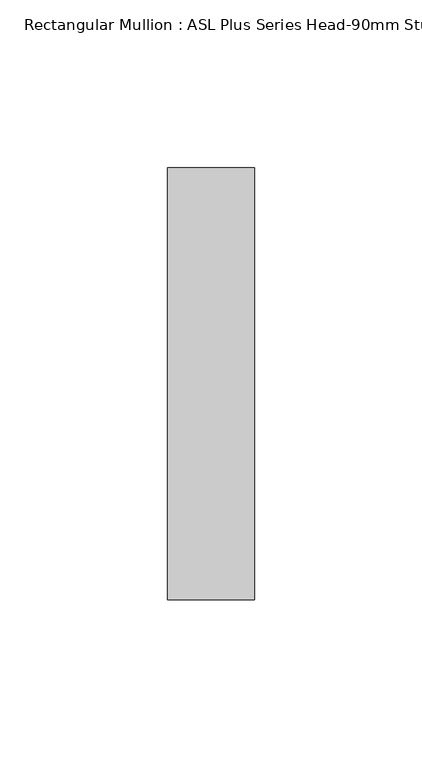
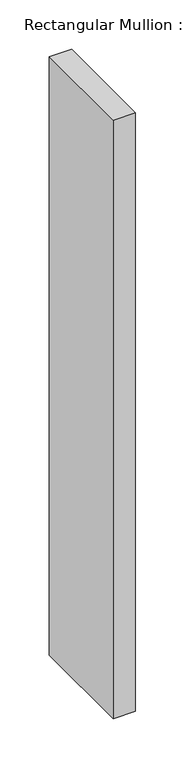
"""IFC4 building model written with IfcOpenShell, lengths in millimetres: member geometry, Rectangular Mullion : ASL Plus Series Head-90mm Stud."""

from ifc_helpers import new_model, si_unit, frame, origin, place, context, project, spatial, polyline, outline, extrude, source, transform, mapped, element, save


def rectangular_mullion_asl_plus_series_head_90mm_stud_c2a68543(model_context):
    return source(origin(), model_context, "Body", "SweptSolid", [
        extrude(outline(polyline([(0.0, 64.5), (0.0, -64.5), (-26.0, -64.5), (-26.0, 64.5), (0.0, 64.5)])), frame((0.0, 0.0, -739.0), z_axis=(0.0, 0.0, 1.0), x_axis=(1.0, 0.0, 0.0)), (0.0, 0.0, 1.0), 739.0),
    ])


if __name__ == "__main__":
    model = new_model("IFC4")
    model_context = context("Model", 3, world=origin())
    ifc_project = project(units=[si_unit("LENGTHUNIT", "METRE", prefix="MILLI")], contexts=[model_context])
    site = spatial("IfcSite", under=ifc_project)
    building = spatial("IfcBuilding", under=site)
    placement = place(None, origin())
    rectangular_mullion_asl_plus_series_head_90mm_stud_shape = rectangular_mullion_asl_plus_series_head_90mm_stud_c2a68543(model_context)
    element("IfcMember", 1, ObjectType="Rectangular Mullion : ASL Plus Series Head-90mm Stud", at=placement, inside=building, context=model_context, shape_type="MappedRepresentation", body=[
        mapped(rectangular_mullion_asl_plus_series_head_90mm_stud_shape, transform((0.0, 0.0, 0.0), x_axis=(1.0, 0.0, 0.0), y_axis=(0.0, 1.0, 0.0), z_axis=(0.0, 0.0, 1.0))),
    ])
    save(model, "model.ifc")
